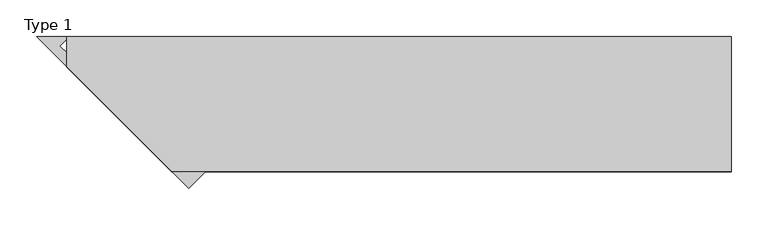
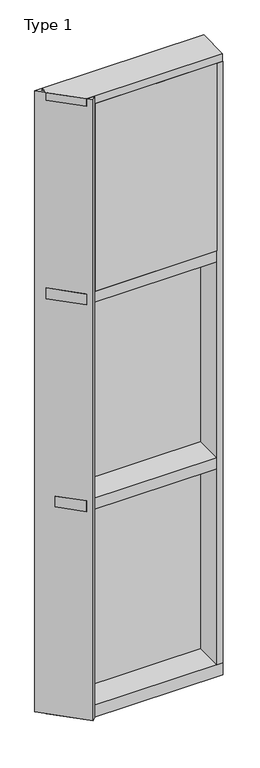
"""IFC4 building model written with IfcOpenShell, lengths in millimetres: plate geometry, Type 1."""

from ifc_helpers import new_model, si_unit, frame, origin, place, context, project, spatial, polyline, outline, extrude, faceted_brep, source, transform, mapped, element, save


def type_1_31867261(model_context):
    return source(origin(), model_context, "Body", "SolidModel", [
        extrude(outline(polyline([(450.6560049, 27.6881517), (450.6560049, 11.2982336), (437.9570941, 11.2982336), (437.9570941, 27.6881517), (450.6560049, 27.6881517)])), frame((0.0, 0.0, 6.35), z_axis=(0.0, 0.0, 1.0), x_axis=(1.0, 0.0, 0.0)), (0.0, 0.0, 1.0), 1206.5),
        extrude(outline(polyline([(-437.9570941, 27.6881517), (-437.9570941, 11.2982336), (-450.6560049, 11.2982336), (-450.6560049, 27.6881517), (-437.9570941, 27.6881517)])), frame((0.0, 0.0, 6.35), z_axis=(0.0, 0.0, 1.0), x_axis=(1.0, 0.0, 0.0)), (0.0, 0.0, 1.0), 1206.5),
        extrude(outline(polyline([(437.9570941, 27.686), (437.9570941, 2.286), (-437.9570941, 2.286), (-437.9570941, 27.686), (437.9570941, 27.686)])), frame((0.0, 0.0, 6.35), z_axis=(0.0, 0.0, 1.0), x_axis=(1.0, 0.0, 0.0)), (0.0, 0.0, 1.0), 1206.5),
        extrude(outline(polyline([(450.6560049, 27.686), (450.6560049, 6.35), (-450.6560049, 6.35), (-450.6560049, 27.686), (450.6560049, 27.686)])), frame((0.0, 0.0, 1212.85), z_axis=(0.0, 0.0, 1.0), x_axis=(1.0, 0.0, 0.0)), (0.0, 0.0, 1.0), 12.7),
        extrude(outline(polyline([(418.9070941, -48.6409999), (418.9070941, -156.32684), (-262.5791649, -156.32684), (-370.265005, -48.6409999), (418.9070941, -48.6409999)])), frame((0.0, 0.0, 2470.15), z_axis=(0.0, 0.0, 1.0), x_axis=(1.0, 0.0, 0.0)), (0.0, 0.0, 1.0), 1104.9984372),
        extrude(outline(polyline([(450.6560049, 27.6881517), (450.6560049, 11.2982336), (437.9570941, 11.2982336), (437.9570941, 27.6881517), (450.6560049, 27.6881517)])), frame((0.0, 0.0, 2444.75), z_axis=(0.0, 0.0, 1.0), x_axis=(1.0, 0.0, 0.0)), (0.0, 0.0, 1.0), 1149.35),
        extrude(outline(polyline([(-437.9570941, 27.6881517), (-437.9570941, 11.2982336), (-450.6560049, 11.2982336), (-450.6560049, 27.6881517), (-437.9570941, 27.6881517)])), frame((0.0, 0.0, 2444.75), z_axis=(0.0, 0.0, 1.0), x_axis=(1.0, 0.0, 0.0)), (0.0, 0.0, 1.0), 1149.35),
        extrude(outline(polyline([(437.9570941, 27.686), (437.9570941, 2.286), (-437.9570941, 2.286), (-437.9570941, 27.686), (437.9570941, 27.686)])), frame((0.0, 0.0, 2444.75), z_axis=(0.0, 0.0, 1.0), x_axis=(1.0, 0.0, 0.0)), (0.0, 0.0, 1.0), 1149.35),
        extrude(outline(polyline([(450.6560049, 27.6881517), (450.6560049, 11.2982336), (437.9570941, 11.2982336), (437.9570941, 27.6881517), (450.6560049, 27.6881517)])), frame((0.0, 0.0, 1225.55), z_axis=(0.0, 0.0, 1.0), x_axis=(1.0, 0.0, 0.0)), (0.0, 0.0, 1.0), 1206.5),
        extrude(outline(polyline([(-437.9570941, 27.6881517), (-437.9570941, 11.2982336), (-450.6560049, 11.2982336), (-450.6560049, 27.6881517), (-437.9570941, 27.6881517)])), frame((0.0, 0.0, 1225.55), z_axis=(0.0, 0.0, 1.0), x_axis=(1.0, 0.0, 0.0)), (0.0, 0.0, 1.0), 1206.5),
        extrude(outline(polyline([(437.9570941, 27.686), (437.9570941, 2.286), (-437.9570941, 2.286), (-437.9570941, 27.686), (437.9570941, 27.686)])), frame((0.0, 0.0, 1225.55), z_axis=(0.0, 0.0, 1.0), x_axis=(1.0, 0.0, 0.0)), (0.0, 0.0, 1.0), 1206.5),
        extrude(outline(polyline([(450.6560049, 27.686), (450.6560049, 6.35), (-450.6560049, 6.35), (-450.6560049, 27.686), (450.6560049, 27.686)])), frame((0.0, 0.0, 2432.05), z_axis=(0.0, 0.0, 1.0), x_axis=(1.0, 0.0, 0.0)), (0.0, 0.0, 1.0), 12.7),
        extrude(outline(polyline([(450.6560049, -155.9814), (418.9060049, -155.9814), (418.9060049, 2.286), (450.6560049, 2.286), (450.6560049, -155.9814)])), frame((0.0, 0.0, 31.75), z_axis=(0.0, 0.0, 1.0), x_axis=(1.0, 0.0, 0.0)), (0.0, 0.0, 1.0), 3543.3),
        faceted_brep([(-450.6560049, 27.686, 3619.5), (-450.6560049, 27.686, 3601.4527933), (-450.6560049, 2.286, 3601.4527933), (-450.6560049, 2.286, 3575.6866239), (-450.6560049, -13.1523698, 3575.6866239), (-450.6560049, -13.1523698, 3619.5), (450.6560049, 27.686, 3619.5), (450.6560049, -155.4734, 3619.5), (450.6560049, -155.4734, 3575.6866239), (450.6560049, 2.286, 3575.6866239), (450.6560049, 2.286, 3601.4527933), (450.6560049, 27.686, 3601.4527933), (-308.3349747, -155.4734, 3575.6866239), (-308.3349747, -155.4734, 3619.5)], [[[0, 1, 2, 3, 4, 5]], [[6, 7, 8, 9, 10, 11]], [[1, 0, 6, 11]], [[2, 1, 11, 10]], [[3, 2, 10, 9]], [[9, 8, 12, 4, 3]], [[8, 7, 13, 12]], [[7, 6, 0, 5, 13]], [[5, 4, 12, 13]]]),
        extrude(outline(polyline([(418.9060049, 2.2859999), (418.9060049, -155.4734), (-308.3349747, -155.4734), (-450.6560049, -13.1523698), (-450.6560049, 2.2859999), (418.9060049, 2.2859999)])), frame((0.0, 0.0, 2406.65), z_axis=(0.0, 0.0, 1.0), x_axis=(1.0, 0.0, 0.0)), (0.0, 0.0, 1.0), 63.5),
        extrude(outline(polyline([(418.9060049, 2.2859999), (418.9060049, -155.4734), (-308.3349747, -155.4734), (-418.9060049, -44.9023698), (-418.9060049, 2.2859999), (418.9060049, 2.2859999)])), frame((0.0, 0.0, 1187.45), z_axis=(0.0, 0.0, 1.0), x_axis=(1.0, 0.0, 0.0)), (0.0, 0.0, 1.0), 63.5),
        extrude(outline(polyline([(-285.376578, -178.4317967), (-491.4943747, 27.686), (-450.6482499, 27.686), (-450.6482499, 24.6563669), (-460.2053853, 15.0992315), (-450.2008102, 5.0946564), (-437.9656069, 5.0946564), (-437.9656069, 2.286), (-418.9060049, 2.286), (-418.9060049, -0.0010892), (-262.9259377, -155.9811564), (-285.376578, -178.4317967)])), frame((0.0, 0.0, -38.1), z_axis=(0.0, 0.0, 1.0), x_axis=(1.0, 0.0, 0.0)), (0.0, 0.0, 1.0), 3657.6),
        faceted_brep([(-450.6560049, 2.2859999, 31.75), (-450.6560049, 2.2859999, -6.2983857), (-450.6560049, 27.6858239, -6.2983857), (-450.6560049, 27.6858239, -38.1), (-450.6560049, -13.1523698, -38.1), (-450.6560049, -13.1523698, 31.75), (450.6560049, 2.2859999, 31.75), (450.6560049, -155.6004, 31.75), (450.6560049, -155.6004, -38.1), (450.6560049, 27.6858239, -38.1), (450.6560049, 27.6858239, -6.2983857), (450.6560049, 2.2859999, -6.2983857), (-308.2079747, -155.6004, -38.1), (-308.2079747, -155.6004, 31.75)], [[[0, 1, 2, 3, 4, 5]], [[6, 7, 8, 9, 10, 11]], [[1, 0, 6, 11]], [[2, 1, 11, 10]], [[3, 2, 10, 9]], [[9, 8, 12, 4, 3]], [[8, 7, 13, 12]], [[7, 6, 0, 5, 13]], [[5, 4, 12, 13]]]),
        extrude(outline(polyline([(-450.6560049, 15.9510838), (-450.6560049, 27.6859999), (450.6560049, 27.6859999), (450.6560049, 15.9510838), (-450.6560049, 15.9510838)])), frame((0.0, 0.0, 3594.7366239), z_axis=(0.0, 0.0, 1.0), x_axis=(1.0, 0.0, 0.0)), (0.0, 0.0, 1.0), 6.7161694),
        extrude(outline(polyline([(-450.6560049, 5.0946564), (-450.6560049, 27.6881517), (450.6560049, 27.6881517), (450.6560049, 5.0946564), (-450.6560049, 5.0946564)])), frame((0.0, 0.0, -6.2984797), z_axis=(0.0, 0.0, 1.0), x_axis=(1.0, 0.0, 0.0)), (0.0, 0.0, 1.0), 12.6484797),
    ])


if __name__ == "__main__":
    model = new_model("IFC4")
    model_context = context("Model", 3, world=origin())
    ifc_project = project(units=[si_unit("LENGTHUNIT", "METRE", prefix="MILLI")], contexts=[model_context])
    site = spatial("IfcSite", under=ifc_project)
    building = spatial("IfcBuilding", under=site)
    placement = place(None, origin())
    type_1_shape = type_1_31867261(model_context)
    element("IfcPlate", 1, ObjectType="Type 1", at=placement, inside=building, context=model_context, shape_type="MappedRepresentation", body=[
        mapped(type_1_shape, transform((0.0, 0.0, 0.0), x_axis=(1.0, 0.0, 0.0), y_axis=(0.0, 1.0, 0.0), z_axis=(0.0, 0.0, 1.0))),
    ])
    save(model, "model.ifc")
